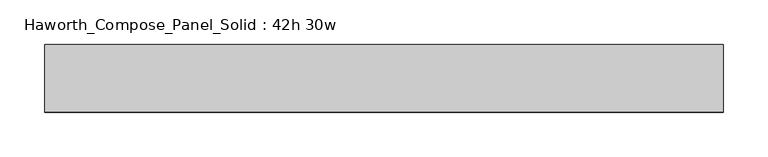
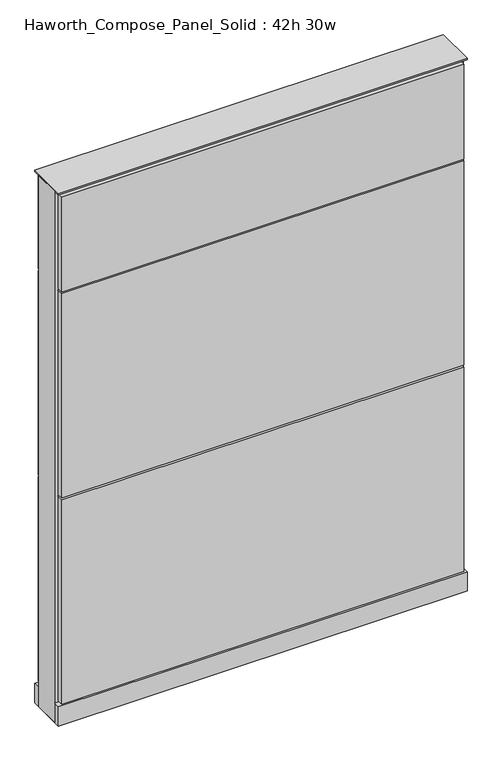
"""IFC4 building model written with IfcOpenShell, lengths in millimetres: furniture geometry, Haworth_Compose_Panel_Solid : 42h 30w."""

from ifc_helpers import new_model, si_unit, point, frame, frame_2d, origin, origin_with_axes, place, context, project, spatial, polyline, circle_curve, trimmed, segment, composite_curve, outline, extrude, source, transform, mapped, element, save


def haworth_compose_panel_solid_42h_30w_0e0ae235(model_context):
    return source(origin(), model_context, "Body", "SweptSolid", [
        extrude(outline(composite_curve([segment(trimmed(circle_curve(frame_2d((-302.3597098, 0.0)), 12.7), [point((-315.0597098, 0.0))], [point((-289.6597098, 0.0))], False, "CARTESIAN"), True, "CONTINUOUS"), segment(trimmed(circle_curve(frame_2d((-302.3597098, 0.0)), 12.7), [point((-289.6597098, 0.0))], [point((-315.0597098, 0.0))], False, "CARTESIAN"), True, "CONTINUOUS")], self_intersect=False)), origin_with_axes(), (0.0, 0.0, 1.0), 12.7),
        extrude(outline(composite_curve([segment(trimmed(circle_curve(frame_2d((307.2402902, 0.0)), 12.7), [point((294.5402902, 0.0))], [point((319.9402902, 0.0))], False, "CARTESIAN"), True, "CONTINUOUS"), segment(trimmed(circle_curve(frame_2d((307.2402902, 0.0)), 12.7), [point((319.9402902, 0.0))], [point((294.5402902, 0.0))], False, "CARTESIAN"), True, "CONTINUOUS")], self_intersect=False)), origin_with_axes(), (0.0, 0.0, 1.0), 12.7),
        extrude(outline(polyline([(377.0902902, 38.1), (377.0902902, 25.4), (-372.2097098, 25.4), (-372.2097098, 38.1), (377.0902902, 38.1)])), frame((0.0, 0.0, 866.775), z_axis=(0.0, 0.0, 1.0), x_axis=(1.0, 0.0, 0.0)), (0.0, 0.0, 1.0), 187.325),
        extrude(outline(polyline([(377.0902902, 38.1), (377.0902902, 25.4), (-372.2097098, 25.4), (-372.2097098, 38.1), (377.0902902, 38.1)])), frame((0.0, 0.0, 460.375), z_axis=(0.0, 0.0, 1.0), x_axis=(1.0, 0.0, 0.0)), (0.0, 0.0, 1.0), 403.225),
        extrude(outline(polyline([(377.0902902, 38.1), (377.0902902, 25.4), (-372.2097098, 25.4), (-372.2097098, 38.1), (377.0902902, 38.1)])), frame((0.0, 0.0, 53.975), z_axis=(0.0, 0.0, 1.0), x_axis=(1.0, 0.0, 0.0)), (0.0, 0.0, 1.0), 403.225),
        extrude(outline(polyline([(377.0902902, -38.1), (-372.2097098, -38.1), (-372.2097098, -25.4), (377.0902902, -25.4), (377.0902902, -38.1)])), frame((0.0, 0.0, 866.775), z_axis=(0.0, 0.0, 1.0), x_axis=(1.0, 0.0, 0.0)), (0.0, 0.0, 1.0), 187.325),
        extrude(outline(polyline([(377.0902902, -38.1), (-372.2097098, -38.1), (-372.2097098, -25.4), (377.0902902, -25.4), (377.0902902, -38.1)])), frame((0.0, 0.0, 460.375), z_axis=(0.0, 0.0, 1.0), x_axis=(1.0, 0.0, 0.0)), (0.0, 0.0, 1.0), 403.225),
        extrude(outline(polyline([(377.0902902, -38.1), (-372.2097098, -38.1), (-372.2097098, -25.4), (377.0902902, -25.4), (377.0902902, -38.1)])), frame((0.0, 0.0, 53.975), z_axis=(0.0, 0.0, 1.0), x_axis=(1.0, 0.0, 0.0)), (0.0, 0.0, 1.0), 403.225),
        extrude(outline(polyline([(383.4402902, 25.4), (383.4402902, -25.4), (-378.5597098, -25.4), (-378.5597098, 25.4), (383.4402902, 25.4)])), frame((0.0, 0.0, 12.7), z_axis=(0.0, 0.0, 1.0), x_axis=(1.0, 0.0, 0.0)), (0.0, 0.0, 1.0), 1047.75),
        extrude(outline(polyline([(-378.5597098, -38.1), (-378.5597098, 38.1), (383.4402902, 38.1), (383.4402902, -38.1), (-378.5597098, -38.1)])), frame((0.0, 0.0, 12.7), z_axis=(0.0, 0.0, 1.0), x_axis=(1.0, 0.0, 0.0)), (0.0, 0.0, 1.0), 38.1),
        extrude(outline(polyline([(-378.5597098, -38.1), (-378.5597098, 38.1), (383.4402902, 38.1), (383.4402902, -38.1), (-378.5597098, -38.1)])), frame((0.0, 0.0, 1060.45), z_axis=(0.0, 0.0, 1.0), x_axis=(1.0, 0.0, 0.0)), (0.0, 0.0, 1.0), 3.175),
    ])


if __name__ == "__main__":
    model = new_model("IFC4")
    model_context = context("Model", 3, world=origin())
    ifc_project = project(units=[si_unit("LENGTHUNIT", "METRE", prefix="MILLI")], contexts=[model_context])
    site = spatial("IfcSite", under=ifc_project)
    building = spatial("IfcBuilding", under=site)
    placement = place(None, origin())
    haworth_compose_panel_solid_42h_30w_shape = haworth_compose_panel_solid_42h_30w_0e0ae235(model_context)
    element("IfcFurniture", 1, ObjectType="Haworth_Compose_Panel_Solid : 42h 30w", at=placement, inside=building, context=model_context, shape_type="MappedRepresentation", body=[
        mapped(haworth_compose_panel_solid_42h_30w_shape, transform((0.0, 0.0, 0.0), x_axis=(1.0, 0.0, 0.0), y_axis=(0.0, 1.0, 0.0), z_axis=(0.0, 0.0, 1.0))),
    ])
    save(model, "model.ifc")
